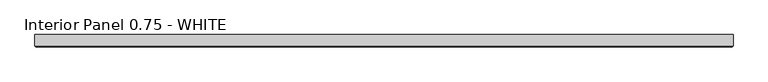
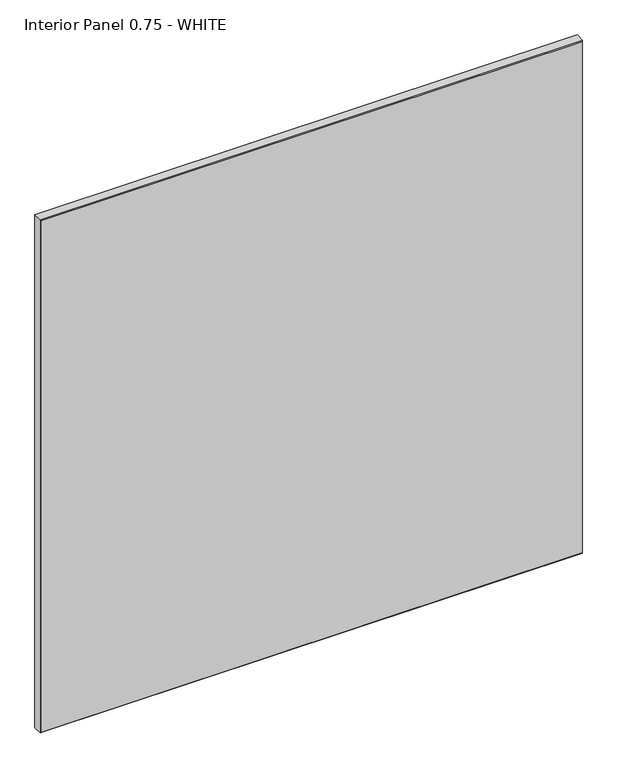
"""IFC4 building model written with IfcOpenShell, lengths in millimetres: proxy geometry, Interior Panel 0.75 - WHITE."""

from ifc_helpers import new_model, si_unit, origin, place, context, project, spatial, faceted_brep, source, transform, mapped, element, save


def interior_panel_0_75_white_a2b10fc8(model_context):
    return source(origin(), model_context, "Body", "Brep", [
        faceted_brep([(990.6, 3.175, 1063.625), (-73.025, 3.175, 1063.625), (-73.025, -14.2875, 1063.625), (990.6, -14.2875, 1063.625), (990.6, 3.175, 0.0), (990.6, -14.2875, 0.0), (-73.025, -14.2875, 0.0), (-73.025, 3.175, 0.0), (-71.4375, -15.875, 1062.0375), (-71.4375, -15.875, 1.5875), (989.0125, -15.875, 1.5875), (989.0125, -15.875, 1062.0375)], [[[0, 1, 2, 3]], [[4, 5, 6, 7]], [[1, 0, 4, 7]], [[2, 1, 7, 6]], [[8, 9, 10, 11]], [[0, 3, 5, 4]], [[2, 6, 9, 8]], [[5, 3, 11, 10]], [[3, 2, 8, 11]], [[6, 5, 10, 9]]]),
    ])


if __name__ == "__main__":
    model = new_model("IFC4")
    model_context = context("Model", 3, world=origin())
    ifc_project = project(units=[si_unit("LENGTHUNIT", "METRE", prefix="MILLI")], contexts=[model_context])
    site = spatial("IfcSite", under=ifc_project)
    building = spatial("IfcBuilding", under=site)
    placement = place(None, origin())
    interior_panel_0_75_white_shape = interior_panel_0_75_white_a2b10fc8(model_context)
    element("IfcBuildingElementProxy", 1, Name="Interior Panel 0.75 - WHITE", ObjectType="Interior Panel 0.75 - WHITE", at=placement, inside=building, context=model_context, shape_type="MappedRepresentation", body=[
        mapped(interior_panel_0_75_white_shape, transform((0.0, 0.0, 0.0), x_axis=(1.0, 0.0, 0.0), y_axis=(0.0, 1.0, 0.0), z_axis=(0.0, 0.0, 1.0))),
    ])
    save(model, "model.ifc")
